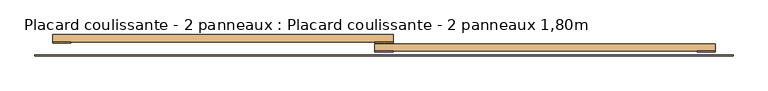
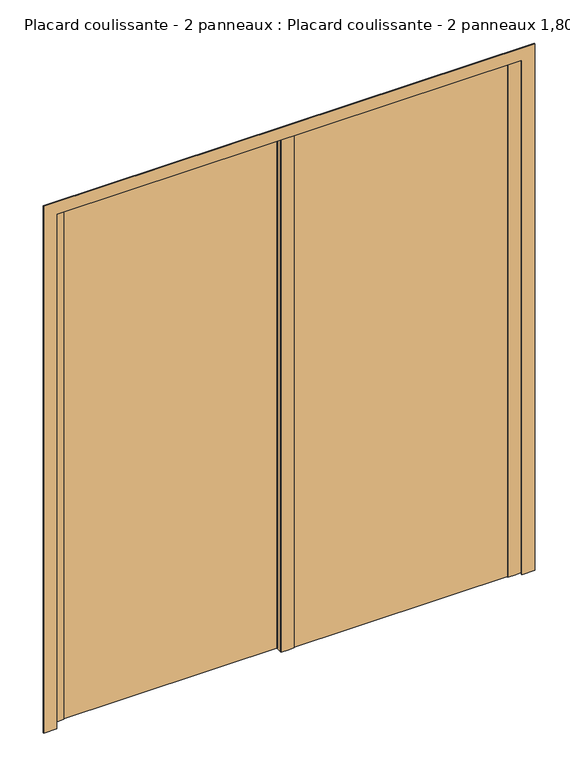
"""IFC4 building model written with IfcOpenShell, lengths in millimetres: door geometry, Placard coulissante - 2 panneaux : Placard coulissante - 2 panneaux 1,80m."""

from ifc_helpers import new_model, si_unit, point, frame, frame_2d, origin, origin_with_axes, place, context, project, spatial, polyline, circle_curve, trimmed, segment, composite_curve, outline, extrude, source, transform, mapped, element, save


def placard_coulissante_2_panneaux_placard_coulissante_2_2c30b1b5(model_context):
    return source(origin(), model_context, "Body", "SweptSolid", [
        extrude(outline(composite_curve([segment(polyline([(900.0, -25.0), (900.0, -27.0)]), True, "CONTINUOUS"), segment(trimmed(circle_curve(frame_2d((875.0, 186.8603852)), 215.3166607), [point((900.0, -27.0))], [point((850.0, -27.0))], False, "CARTESIAN"), True, "CONTINUOUS"), segment(polyline([(850.0, -27.0), (850.0, -25.0), (900.0, -25.0)]), True, "CONTINUOUS")], self_intersect=False)), origin_with_axes(), (0.0, 0.0, 1.0), 2100.0),
        extrude(outline(composite_curve([segment(polyline([(25.0, -25.0), (25.0, -27.0)]), True, "CONTINUOUS"), segment(trimmed(circle_curve(frame_2d((0.0, 186.8603852)), 215.3166607), [point((25.0, -27.0))], [point((-25.0, -27.0))], False, "CARTESIAN"), True, "CONTINUOUS"), segment(polyline([(-25.0, -27.0), (-25.0, -25.0), (25.0, -25.0)]), True, "CONTINUOUS")], self_intersect=False)), origin_with_axes(), (0.0, 0.0, 1.0), 2100.0),
        extrude(outline(composite_curve([segment(polyline([(25.0, 0.0), (25.0, -2.0)]), True, "CONTINUOUS"), segment(trimmed(circle_curve(frame_2d((0.0, 211.8603852)), 215.3166607), [point((25.0, -2.0))], [point((-25.0, -2.0))], False, "CARTESIAN"), True, "CONTINUOUS"), segment(polyline([(-25.0, -2.0), (-25.0, 0.0), (25.0, 0.0)]), True, "CONTINUOUS")], self_intersect=False)), origin_with_axes(), (0.0, 0.0, 1.0), 2100.0),
        extrude(outline(composite_curve([segment(polyline([(-850.0, 0.0), (-850.0, -2.0)]), True, "CONTINUOUS"), segment(trimmed(circle_curve(frame_2d((-875.0, 211.8603852)), 215.3166607), [point((-850.0, -2.0))], [point((-900.0, -2.0))], False, "CARTESIAN"), True, "CONTINUOUS"), segment(polyline([(-900.0, -2.0), (-900.0, 0.0), (-850.0, 0.0)]), True, "CONTINUOUS")], self_intersect=False)), origin_with_axes(), (0.0, 0.0, 1.0), 2100.0),
        extrude(outline(polyline([(0.0, -948.0), (0.0, -898.0), (2098.0, -898.0), (2098.0, 898.0), (0.0, 898.0), (0.0, 948.0), (2148.0, 948.0), (2148.0, -948.0), (0.0, -948.0)])), frame((0.0, -38.0, 0.0), z_axis=(0.0, 1.0, 0.0), x_axis=(0.0, 0.0, 1.0)), (0.0, 0.0, 1.0), 3.0),
        extrude(outline(polyline([(900.0, -25.0), (-25.0, -25.0), (-25.0, -5.0), (900.0, -5.0), (900.0, -25.0)])), origin_with_axes(), (0.0, 0.0, 1.0), 2100.0),
        extrude(outline(polyline([(25.0, 0.0), (-900.0, 0.0), (-900.0, 20.0), (25.0, 20.0), (25.0, 0.0)])), origin_with_axes(), (0.0, 0.0, 1.0), 2100.0),
    ])


if __name__ == "__main__":
    model = new_model("IFC4")
    model_context = context("Model", 3, world=origin())
    ifc_project = project(units=[si_unit("LENGTHUNIT", "METRE", prefix="MILLI")], contexts=[model_context])
    site = spatial("IfcSite", under=ifc_project)
    building = spatial("IfcBuilding", under=site)
    placement = place(None, origin())
    placard_coulissante_2_panneaux_placard_coulissante_2_shape = placard_coulissante_2_panneaux_placard_coulissante_2_2c30b1b5(model_context)
    element("IfcDoor", 1, ObjectType="Placard coulissante - 2 panneaux : Placard coulissante - 2 panneaux 1,80m", at=placement, inside=building, context=model_context, shape_type="MappedRepresentation", body=[
        mapped(placard_coulissante_2_panneaux_placard_coulissante_2_shape, transform((0.0, 0.0, 0.0), x_axis=(1.0, 0.0, 0.0), y_axis=(0.0, 1.0, 0.0), z_axis=(0.0, 0.0, 1.0))),
    ])
    save(model, "model.ifc")
